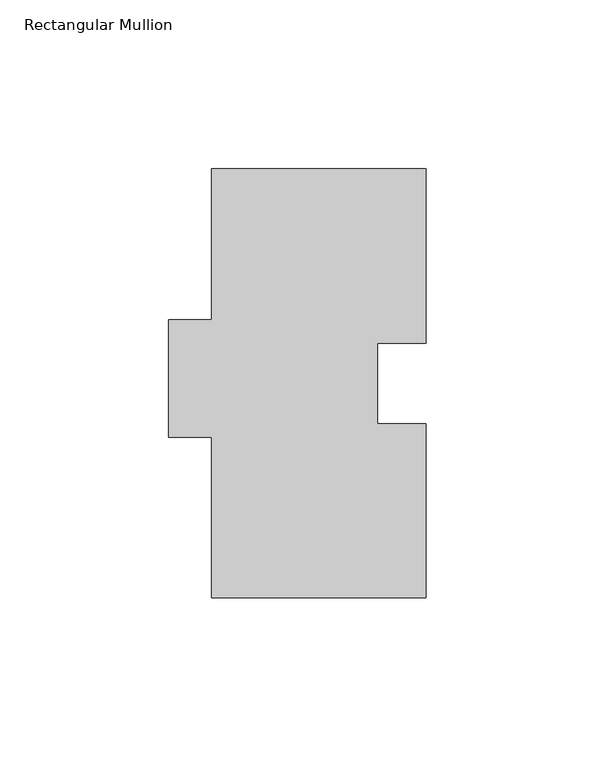
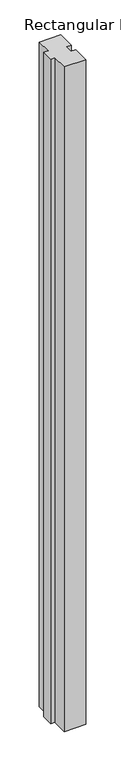
"""IFC4 building model written with IfcOpenShell, lengths in millimetres: member geometry, Rectangular Mullion."""

from ifc_helpers import new_model, si_unit, frame, origin, place, context, project, spatial, polyline, outline, extrude, source, transform, mapped, element, save


def rectangular_mullion_9d2d9d1f(model_context):
    return source(origin(), model_context, "Body", "SweptSolid", [
        extrude(outline(polyline([(31.75, 126.857125), (31.75, 75.257025), (17.4498, 75.257025), (17.4498, 51.457225), (31.75, 51.457225), (31.75, -0.142875), (-31.75, -0.142875), (-31.75, 47.482125), (-44.45, 47.482125), (-44.45, 82.153125), (-31.75, 82.153125), (-31.75, 126.857125), (31.75, 126.857125)])), frame((0.0, 0.0, -2060.575), z_axis=(0.0, 0.0, 1.0), x_axis=(1.0, 0.0, 0.0)), (0.0, 0.0, 1.0), 2060.575),
    ])


if __name__ == "__main__":
    model = new_model("IFC4")
    model_context = context("Model", 3, world=origin())
    ifc_project = project(units=[si_unit("LENGTHUNIT", "METRE", prefix="MILLI")], contexts=[model_context])
    site = spatial("IfcSite", under=ifc_project)
    building = spatial("IfcBuilding", under=site)
    placement = place(None, origin())
    rectangular_mullion_shape = rectangular_mullion_9d2d9d1f(model_context)
    element("IfcMember", 1, ObjectType="Rectangular Mullion", at=placement, inside=building, context=model_context, shape_type="MappedRepresentation", body=[
        mapped(rectangular_mullion_shape, transform((0.0, 0.0, 0.0), x_axis=(1.0, 0.0, 0.0), y_axis=(0.0, 1.0, 0.0), z_axis=(0.0, 0.0, 1.0))),
    ])
    save(model, "model.ifc")
